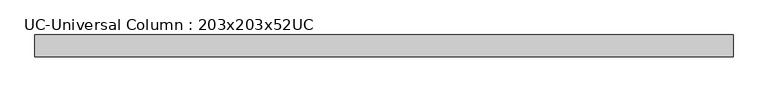
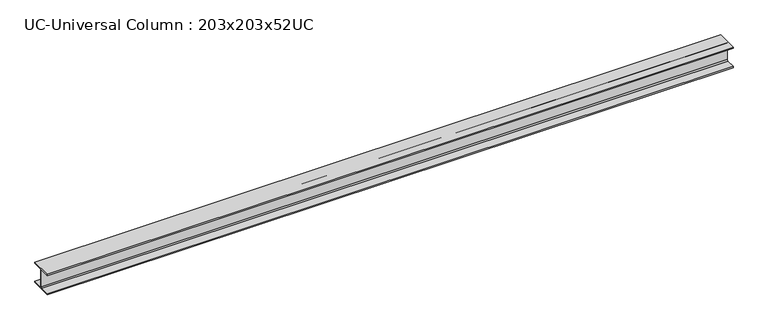
"""IFC4 building model written with IfcOpenShell, lengths in millimetres: beam geometry, UC-Universal Column : 203x203x52UC."""

from ifc_helpers import new_model, si_unit, point, frame, frame_2d, origin, place, context, project, spatial, polyline, circle_curve, trimmed, segment, composite_curve, outline, extrude, source, transform, mapped, element, save


def uc_universal_column_203x203x52uc_82ef5d35(model_context):
    return source(origin(), model_context, "Body", "SweptSolid", [
        extrude(outline(composite_curve([segment(polyline([(102.15, -90.6), (102.15, -103.1), (-102.15, -103.1), (-102.15, -90.6), (-14.15, -90.6)]), True, "CONTINUOUS"), segment(trimmed(circle_curve(frame_2d((-14.15, -80.4)), 10.2), [point((-14.15, -90.6))], [point((-3.95, -80.4))], True, "CARTESIAN"), True, "CONTINUOUS"), segment(polyline([(-3.95, -80.4), (-3.95, 80.4)]), True, "CONTINUOUS"), segment(trimmed(circle_curve(frame_2d((-14.15, 80.4)), 10.2), [point((-3.95, 80.4))], [point((-14.15, 90.6))], True, "CARTESIAN"), True, "CONTINUOUS"), segment(polyline([(-14.15, 90.6), (-102.15, 90.6), (-102.15, 103.1), (102.15, 103.1), (102.15, 90.6), (14.15, 90.6)]), True, "CONTINUOUS"), segment(trimmed(circle_curve(frame_2d((14.15, 80.4)), 10.2), [point((14.15, 90.6))], [point((3.95, 80.4))], True, "CARTESIAN"), True, "CONTINUOUS"), segment(polyline([(3.95, 80.4), (3.95, -80.4)]), True, "CONTINUOUS"), segment(trimmed(circle_curve(frame_2d((14.15, -80.4)), 10.2), [point((3.95, -80.4))], [point((14.15, -90.6))], True, "CARTESIAN"), True, "CONTINUOUS"), segment(polyline([(14.15, -90.6), (102.15, -90.6)]), True, "CONTINUOUS")], self_intersect=False)), frame((-3429.0, 0.0, 0.0), z_axis=(1.0, 0.0, 0.0), x_axis=(0.0, 1.0, 0.0)), (0.0, 0.0, 1.0), 6538.4686101),
    ])


if __name__ == "__main__":
    model = new_model("IFC4")
    model_context = context("Model", 3, world=origin())
    ifc_project = project(units=[si_unit("LENGTHUNIT", "METRE", prefix="MILLI")], contexts=[model_context])
    site = spatial("IfcSite", under=ifc_project)
    building = spatial("IfcBuilding", under=site)
    placement = place(None, origin())
    uc_universal_column_203x203x52uc_shape = uc_universal_column_203x203x52uc_82ef5d35(model_context)
    element("IfcBeam", 1, ObjectType="UC-Universal Column : 203x203x52UC", at=placement, inside=building, context=model_context, shape_type="MappedRepresentation", body=[
        mapped(uc_universal_column_203x203x52uc_shape, transform((0.0, 0.0, 0.0), x_axis=(1.0, 0.0, 0.0), y_axis=(0.0, 1.0, 0.0), z_axis=(0.0, 0.0, 1.0))),
    ])
    save(model, "model.ifc")
